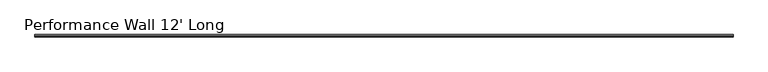
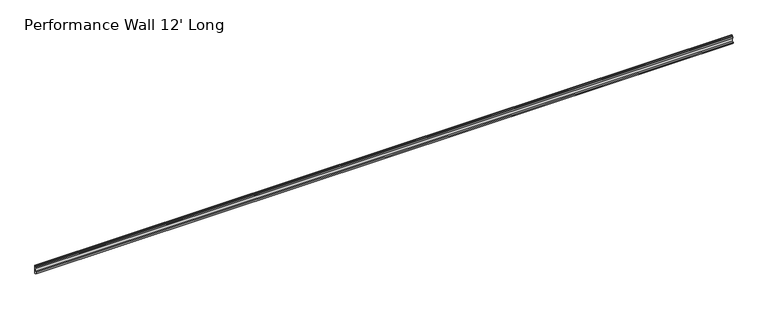
"""IFC4 building model written with IfcOpenShell, lengths in millimetres: furniture geometry, Performance Wall 12' Long."""

from ifc_helpers import new_model, si_unit, frame, origin, place, context, project, spatial, polyline, outline, extrude, source, transform, mapped, element, save


def performance_wall_12_long_ba8ec563(model_context):
    return source(origin(), model_context, "Body", "SweptSolid", [
        extrude(outline(polyline([(0.0, 1981.2), (-3.0801413, 1981.1982663), (-3.0837154, 1987.5482653), (-11.5351723, 1987.5435084), (-11.5387464, 1993.8935074), (-3.0872896, 1993.8982643), (-3.0983255, 2013.5053275), (-7.581033, 2013.5028044), (-7.5846072, 2019.8528034), (-3.1018996, 2019.8553265), (-3.1054738, 2026.2053255), (-0.0253325, 2026.2070592), (0.0, 1981.2)])), frame((41.91, 0.0, 0.0), z_axis=(1.0, 0.0, 0.0), x_axis=(0.0, 1.0, 0.0)), (0.0, 0.0, 1.0), 3573.78),
    ])


if __name__ == "__main__":
    model = new_model("IFC4")
    model_context = context("Model", 3, world=origin())
    ifc_project = project(units=[si_unit("LENGTHUNIT", "METRE", prefix="MILLI")], contexts=[model_context])
    site = spatial("IfcSite", under=ifc_project)
    building = spatial("IfcBuilding", under=site)
    placement = place(None, origin())
    performance_wall_12_long_shape = performance_wall_12_long_ba8ec563(model_context)
    element("IfcFurniture", 1, ObjectType="Performance Wall 12' Long", at=placement, inside=building, context=model_context, shape_type="MappedRepresentation", body=[
        mapped(performance_wall_12_long_shape, transform((0.0, 0.0, 0.0), x_axis=(1.0, 0.0, 0.0), y_axis=(0.0, 1.0, 0.0), z_axis=(0.0, 0.0, 1.0))),
    ])
    save(model, "model.ifc")
